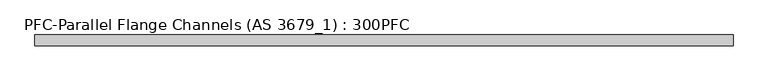
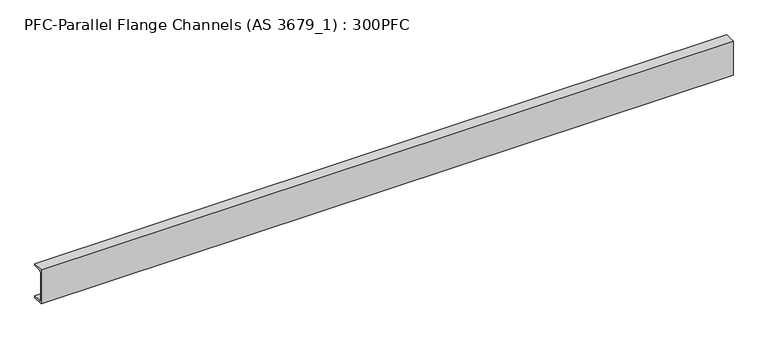
"""IFC4 building model written with IfcOpenShell, lengths in millimetres: beam geometry, PFC-Parallel Flange Channels (AS 3679_1) : 300PFC."""

from ifc_helpers import new_model, si_unit, point, frame, frame_2d, origin, place, context, project, spatial, polyline, circle_curve, trimmed, segment, composite_curve, outline, extrude, source, transform, mapped, element, save


def pfc_parallel_flange_channels_as_3679_1_300pfc_6a3c9ed3(model_context):
    return source(origin(), model_context, "Body", "SweptSolid", [
        extrude(outline(composite_curve([segment(polyline([(-27.2, 150.0), (62.8, 150.0), (62.8, 134.0), (-5.2, 134.0)]), True, "CONTINUOUS"), segment(trimmed(circle_curve(frame_2d((-5.2, 120.0)), 14.0), [point((-5.2, 134.0))], [point((-19.2, 120.0))], True, "CARTESIAN"), True, "CONTINUOUS"), segment(polyline([(-19.2, 120.0), (-19.2, -120.0)]), True, "CONTINUOUS"), segment(trimmed(circle_curve(frame_2d((-5.2, -120.0)), 14.0), [point((-19.2, -120.0))], [point((-5.2, -134.0))], True, "CARTESIAN"), True, "CONTINUOUS"), segment(polyline([(-5.2, -134.0), (62.8, -134.0), (62.8, -150.0), (-27.2, -150.0), (-27.2, 150.0)]), True, "CONTINUOUS")], self_intersect=False)), frame((-2888.95, 0.0, 0.0), z_axis=(1.0, 0.0, 0.0), x_axis=(0.0, 1.0, 0.0)), (0.0, 0.0, 1.0), 5777.9),
    ])


if __name__ == "__main__":
    model = new_model("IFC4")
    model_context = context("Model", 3, world=origin())
    ifc_project = project(units=[si_unit("LENGTHUNIT", "METRE", prefix="MILLI")], contexts=[model_context])
    site = spatial("IfcSite", under=ifc_project)
    building = spatial("IfcBuilding", under=site)
    placement = place(None, origin())
    pfc_parallel_flange_channels_as_3679_1_300pfc_shape = pfc_parallel_flange_channels_as_3679_1_300pfc_6a3c9ed3(model_context)
    element("IfcBeam", 1, ObjectType="PFC-Parallel Flange Channels (AS 3679_1) : 300PFC", at=placement, inside=building, context=model_context, shape_type="MappedRepresentation", body=[
        mapped(pfc_parallel_flange_channels_as_3679_1_300pfc_shape, transform((0.0, 0.0, 0.0), x_axis=(1.0, 0.0, 0.0), y_axis=(0.0, 1.0, 0.0), z_axis=(0.0, 0.0, 1.0))),
    ])
    save(model, "model.ifc")
